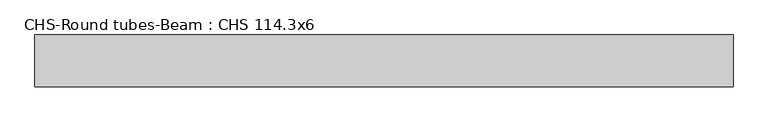
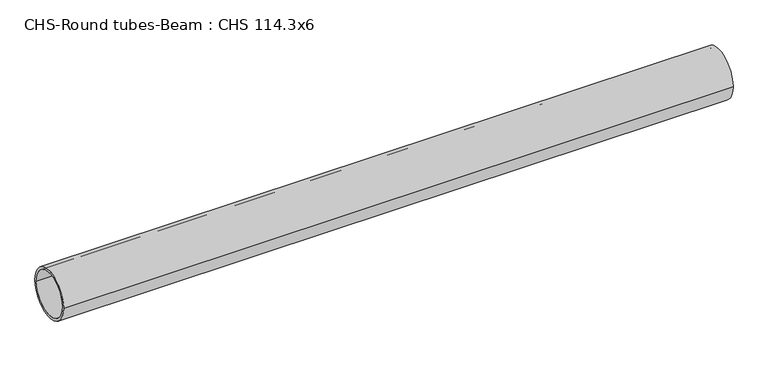
"""IFC4 building model written with IfcOpenShell, lengths in millimetres: beam geometry, CHS-Round tubes-Beam : CHS 114.3x6."""

from ifc_helpers import new_model, si_unit, point, frame, origin, origin_2d, place, context, project, spatial, circle_curve, trimmed, segment, composite_curve, outline, extrude, source, transform, mapped, element, save


def chs_round_tubes_beam_chs_114_3x6_93008bfe(model_context):
    return source(origin(), model_context, "Body", "SweptSolid", [
        extrude(outline(composite_curve([segment(trimmed(circle_curve(origin_2d(), 57.15), [point((57.15, 0.0))], [point((-57.15, 0.0))], False, "CARTESIAN"), True, "CONTINUOUS"), segment(trimmed(circle_curve(origin_2d(), 57.15), [point((-57.15, 0.0))], [point((57.15, 0.0))], False, "CARTESIAN"), True, "CONTINUOUS")], self_intersect=False), holes=[composite_curve([segment(trimmed(circle_curve(origin_2d(), 51.15), [point((51.15, 0.0))], [point((-51.15, 0.0))], True, "CARTESIAN"), True, "CONTINUOUS"), segment(trimmed(circle_curve(origin_2d(), 51.15), [point((-51.15, 0.0))], [point((51.15, 0.0))], True, "CARTESIAN"), True, "CONTINUOUS")], self_intersect=False)]), frame((-736.7254945, 0.0, 0.0), z_axis=(1.0, 0.0, 0.0), x_axis=(0.0, 1.0, 0.0)), (0.0, 0.0, 1.0), 1540.4457131),
    ])


if __name__ == "__main__":
    model = new_model("IFC4")
    model_context = context("Model", 3, world=origin())
    ifc_project = project(units=[si_unit("LENGTHUNIT", "METRE", prefix="MILLI")], contexts=[model_context])
    site = spatial("IfcSite", under=ifc_project)
    building = spatial("IfcBuilding", under=site)
    placement = place(None, origin())
    chs_round_tubes_beam_chs_114_3x6_shape = chs_round_tubes_beam_chs_114_3x6_93008bfe(model_context)
    element("IfcBeam", 1, ObjectType="CHS-Round tubes-Beam : CHS 114.3x6", at=placement, inside=building, context=model_context, shape_type="MappedRepresentation", body=[
        mapped(chs_round_tubes_beam_chs_114_3x6_shape, transform((0.0, 0.0, 0.0), x_axis=(1.0, 0.0, 0.0), y_axis=(0.0, 1.0, 0.0), z_axis=(0.0, 0.0, 1.0))),
    ])
    save(model, "model.ifc")
